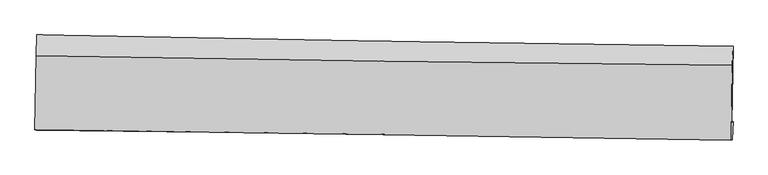
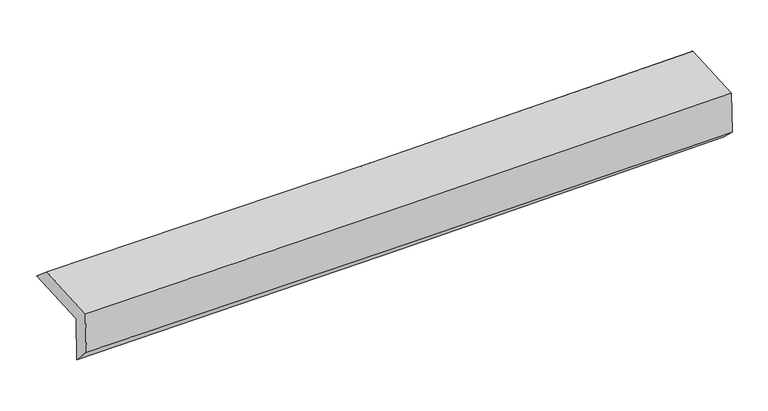
"""IFC4 building model written with IfcOpenShell, lengths in millimetres: proxy geometry."""

from ifc_helpers import new_model, si_unit, frame, origin, place, context, project, spatial, source, transform, mapped, element, save
from ifc_brep_helpers import plane_surface, spline_curve, spline_surface, advanced_brep


def generic_models_0b6862d0(model_context):
    return source(origin(), model_context, "Body", "AdvancedBrep", [
        advanced_brep(
        [(-3031.1622837, -1744.974649, 1945.6546279), (-3021.3927112, -1080.3082276, 1969.0812287), (3019.1991022, -1177.9733841, 2113.5894664), (3009.2504598, -1843.0569404, 2097.1920041), (-3020.7560397, -1733.0521742, 1529.3633961), (3019.3086375, -1831.4208564, 1694.896053), (-3027.8848754, -1905.3128936, 1710.5236365), (3013.2015245, -1988.5921526, 1844.0067109), (-3037.3668614, -1903.6999255, 2097.7499537), (3003.4790623, -1992.4312276, 2237.5715393), (-3027.9016956, -1259.743615, 2120.4466131), (3013.0117522, -1343.8809642, 2260.4301156)],
        [
            (0, 1),
            (1, 2, spline_curve(3, [(-3021.3927112, -1080.3082276, 1969.0812287), (-2014.583129349, -1099.425801369, 1989.486321082), (-1007.794758354, -1117.123363869, 2011.731246034), (1005.735845891, -1149.678405452, 2059.900672072), (2012.478079318, -1164.53589523, 2085.825159873), (3019.1991022, -1177.9733841, 2113.5894664)], [4, 2, 4], [0.0, 9.913333283929674, 19.826629978875978])),
            (2, 3),
            (3, 0, spline_curve(3, [(3009.2504598, -1843.0569404, 2097.1920041), (2002.720838555, -1829.352385664, 2061.801152907), (996.08922849, -1814.326601263, 2031.477626388), (-1017.381685042, -1781.632514202, 1980.965130194), (-2024.220989668, -1763.964200991, 1960.776197824), (-3031.1622837, -1744.974649, 1945.6546279)], [4, 2, 4], [0.0, 9.913296694946304, 19.826629978875978])),
            (4, 0),
            (3, 5),
            (5, 4, spline_curve(3, [(3019.3086375, -1831.4208564, 1694.896053), (2012.708387562, -1817.830063359, 1662.309811407), (1006.070468633, -1802.837294334, 1632.222323697), (-1007.284423372, -1770.047743955, 1577.044752676), (-2014.001396694, -1752.25095213, 1551.954688578), (-3020.7560397, -1733.0521742, 1529.3633961)], [4, 2, 4], [0.0, 9.913324891180082, 19.826686371447604])),
            (6, 4),
            (5, 7),
            (7, 6, spline_curve(3, [(3013.2015245, -1988.5921526, 1844.0067109), (2006.523605251, -1972.647832833, 1816.07590984), (999.761708151, -1957.735745632, 1790.986935449), (-1013.933757918, -1929.975984939, 1746.492556039), (-2020.867327299, -1917.128319306, 1727.087172724), (-3027.8848754, -1905.3128936, 1710.5236365)], [4, 2, 4], [0.0, 9.91325789420561, 19.82655237725138])),
            (8, 6),
            (7, 9),
            (9, 8, spline_curve(3, [(3003.4790623, -1992.4312276, 2237.5715393), (1996.884576963, -1977.346805341, 2205.69734744), (990.184436628, -1962.410332614, 2178.108466643), (-1023.430870647, -1932.833230803, 2131.501239546), (-2030.346038022, -1918.192602968, 2112.482925581), (-3037.3668614, -1903.6999255, 2097.7499537)], [4, 2, 4], [0.0, 9.913317370387537, 19.826671329834756])),
            (10, 8),
            (9, 11),
            (11, 10, spline_curve(3, [(3013.0117522, -1343.8809642, 2260.4301156), (2006.331220871, -1334.650632121, 2228.349592688), (999.582430195, -1323.024037933, 2200.644052874), (-1014.055385256, -1294.97827251, 2153.982852815), (-2020.944410644, -1278.559083878, 2135.027225238), (-3027.9016956, -1259.743615, 2120.4466131)], [4, 2, 4], [0.0, 9.913347867986067, 19.82673232514438])),
            (1, 10),
            (11, 2),
        ],
        [
            spline_surface(3, 3, [[(-3031.1622837, -1744.974649, 1945.6546279), (-2024.22098957, -1763.96420108, 1960.776197913), (-1017.381685144, -1781.632514041, 1980.965130224), (996.089228592, -1814.326601424, 2031.477626358), (2002.720838688, -1829.352385591, 2061.801152791), (3009.2504598, -1843.0569404, 2097.1920041)], [(-3027.905759528, -1523.419175191, 1953.463494829), (-2021.008369501, -1542.4514012, 1970.34623895), (-1014.186042902, -1560.129463963, 1991.220502125), (999.304767696, -1592.777202777, 2040.951974939), (2005.973252282, -1607.746888817, 2069.80915513), (3012.566673962, -1621.362421614, 2102.657824894)], [(-3024.649235372, -1301.863701409, 1961.272361771), (-2017.795749449, -1320.938601348, 1979.916279999), (-1010.990400634, -1338.6264139, 2001.475874065), (1002.520306825, -1371.227804146, 2050.426323559), (2009.225665792, -1386.141392101, 2077.817157387), (3015.882888038, -1399.667902886, 2108.123645606)], [(-3021.3927112, -1080.3082276, 1969.0812287), (-2014.58312938, -1099.425801469, 1989.486321037), (-1007.794758392, -1117.123363822, 2011.731245966), (1005.735845929, -1149.678405499, 2059.90067214), (2012.478079386, -1164.535895328, 2085.825159726), (3019.1991022, -1177.9733841, 2113.5894664)]], [4, 4], [4, 2, 4], [0.0, 2.1827650820515223], [0.0, 9.913333283929674, 19.826629978875978]),
            spline_surface(3, 3, [[(-3020.7560397, -1733.0521742, 1529.3633961), (-2014.001396797, -1752.250952212, 1551.954688478), (-1007.284423444, -1770.047743954, 1577.044752822), (1006.070468705, -1802.837294335, 1632.222323551), (2012.708387698, -1817.830063332, 1662.30981154), (3019.3086375, -1831.4208564, 1694.896053)], [(-3024.224787692, -1737.026332477, 1668.127140025), (-2017.407927714, -1756.155368511, 1688.228524948), (-1010.650177339, -1773.909334, 1711.684878631), (1002.743388672, -1806.667063382, 1765.307424495), (2009.379204665, -1821.670837434, 1795.47359196), (3015.95591157, -1835.299551082, 1828.99470337)], [(-3027.693535708, -1741.000490723, 1806.890883975), (-2020.814458654, -1760.05978478, 1824.502361443), (-1014.015931249, -1777.770923995, 1846.325004415), (999.416308624, -1810.496832377, 1898.392525414), (2006.050021722, -1825.511611489, 1928.637372371), (3012.60318573, -1839.178245718, 1963.09335373)], [(-3031.1622837, -1744.974649, 1945.6546279), (-2024.22098957, -1763.96420108, 1960.776197913), (-1017.381685144, -1781.632514041, 1980.965130224), (996.089228592, -1814.326601424, 2031.477626358), (2002.720838688, -1829.352385591, 2061.801152791), (3009.2504598, -1843.0569404, 2097.1920041)]], [4, 4], [4, 2, 4], [0.0, 1.3185004906129838], [0.0, 9.913361480267522, 19.826686371447604]),
            spline_surface(3, 3, [[(-3027.8848754, -1905.3128936, 1710.5236365), (-2020.867327398, -1917.128319176, 1727.087172707), (-1013.933757896, -1929.975984987, 1746.492556189), (999.761708129, -1957.735745584, 1790.986935299), (2006.523605237, -1972.647832819, 1816.075909953), (3013.2015245, -1988.5921526, 1844.0067109)], [(-3025.508596845, -1847.892653796, 1650.136889689), (-2018.578683877, -1862.16919685, 1668.709677953), (-1011.7173131, -1876.666571323, 1690.009955075), (1001.8646283, -1906.102928515, 1738.065398057), (2008.585199394, -1921.041909673, 1764.820543789), (3015.237228836, -1936.20172055, 1794.30315824)], [(-3023.132318255, -1790.472414004, 1589.750142911), (-2016.290040319, -1807.210074538, 1610.332183232), (-1009.50086824, -1823.357157617, 1633.527353937), (1003.967548534, -1854.470111404, 1685.143860792), (2010.646793541, -1869.435986478, 1713.565177704), (3017.272933164, -1883.81128845, 1744.59960566)], [(-3020.7560397, -1733.0521742, 1529.3633961), (-2014.001396797, -1752.250952212, 1551.954688478), (-1007.284423444, -1770.047743954, 1577.044752822), (1006.070468705, -1802.837294335, 1632.222323551), (2012.708387698, -1817.830063332, 1662.30981154), (3019.3086375, -1831.4208564, 1694.896053)]], [4, 4], [4, 2, 4], [0.0, 0.7463589616870857], [0.0, 9.913294483045771, 19.82655237725138]),
            spline_surface(3, 3, [[(-3037.3668614, -1903.6999255, 2097.7499537), (-2030.346038031, -1918.192602985, 2112.482925548), (-1023.430870581, -1932.83323081, 2131.501239674), (990.184436562, -1962.410332607, 2178.108466515), (1996.884576967, -1977.346805473, 2205.697347574), (3003.4790623, -1992.4312276, 2237.5715393)], [(-3034.20619939, -1904.237581548, 1968.674514662), (-2027.18646781, -1917.837841731, 1984.01767463), (-1020.265166335, -1931.880815524, 2003.165011846), (993.376860434, -1960.852136921, 2049.06795611), (2000.09758639, -1975.780481242, 2075.823535054), (3006.719883033, -1991.151535921, 2106.383263187)], [(-3031.04553741, -1904.775237552, 1839.599075538), (-2024.026897619, -1917.48308043, 1855.552423625), (-1017.099462141, -1930.928400273, 1874.828784017), (996.569284256, -1959.29394127, 1920.027445703), (2003.310595814, -1974.214157049, 1945.949722473), (3009.960703767, -1989.871844279, 1975.194987013)], [(-3027.8848754, -1905.3128936, 1710.5236365), (-2020.867327398, -1917.128319176, 1727.087172707), (-1013.933757896, -1929.975984987, 1746.492556189), (999.761708129, -1957.735745584, 1790.986935299), (2006.523605237, -1972.647832819, 1816.075909953), (3013.2015245, -1988.5921526, 1844.0067109)]], [4, 4], [4, 2, 4], [0.0, 1.2670644631231687], [0.0, 9.91335395944722, 19.826671329834756]),
            spline_surface(3, 3, [[(-3027.9016956, -1259.743615, 2120.4466131), (-2020.944410604, -1278.559083818, 2135.027225353), (-1014.055385245, -1294.978272532, 2153.98285295), (999.582430184, -1323.024037911, 2200.644052739), (2006.33122076, -1334.650632263, 2228.349592654), (3013.0117522, -1343.8809642, 2260.4301156)], [(-3031.056750863, -1474.395718488, 2112.881059952), (-2024.078286409, -1491.770256862, 2127.512458737), (-1017.180547015, -1507.596591958, 2146.488981846), (996.449765652, -1536.152802809, 2193.132190652), (2003.182339522, -1548.882689992, 2220.798844293), (3009.834188927, -1560.064385326, 2252.810590165)], [(-3034.211806137, -1689.047822012, 2105.315506848), (-2027.212162226, -1704.981429942, 2119.997692164), (-1020.305708811, -1720.214911385, 2138.995110778), (993.317101094, -1749.281567709, 2185.620328602), (2000.033458205, -1763.114747744, 2213.248095936), (3006.656625573, -1776.247806474, 2245.191064735)], [(-3037.3668614, -1903.6999255, 2097.7499537), (-2030.346038031, -1918.192602985, 2112.482925548), (-1023.430870581, -1932.83323081, 2131.501239674), (990.184436562, -1962.410332607, 2178.108466515), (1996.884576967, -1977.346805473, 2205.697347574), (3003.4790623, -1992.4312276, 2237.5715393)]], [4, 4], [4, 2, 4], [0.0, 2.096739187823079], [0.0, 9.913384457158314, 19.82673232514438]),
            spline_surface(3, 3, [[(-3021.3927112, -1080.3082276, 1969.0812287), (-2014.58312938, -1099.425801469, 1989.486321037), (-1007.794758392, -1117.123363822, 2011.731245966), (1005.735845929, -1149.678405499, 2059.90067214), (2012.478079386, -1164.535895328, 2085.825159726), (3019.1991022, -1177.9733841, 2113.5894664)], [(-3023.562372682, -1140.1200234, 2019.536356842), (-2016.70355647, -1159.136895586, 2037.999955818), (-1009.881634011, -1176.408333379, 2059.148448303), (1003.684707347, -1207.460282956, 2106.815132348), (2010.429126483, -1221.240807647, 2133.333304013), (3017.136652173, -1233.275910808, 2162.536349444)], [(-3025.732034118, -1199.9318192, 2069.991484958), (-2018.823983514, -1218.847989702, 2086.513590572), (-1011.968509626, -1235.693302976, 2106.565650613), (1001.633568767, -1265.242160454, 2153.729592531), (2008.380173662, -1277.945719943, 2180.841448367), (3015.074202227, -1288.578437492, 2211.483232556)], [(-3027.9016956, -1259.743615, 2120.4466131), (-2020.944410604, -1278.559083818, 2135.027225353), (-1014.055385245, -1294.978272532, 2153.98285295), (999.582430184, -1323.024037911, 2200.644052739), (2006.33122076, -1334.650632263, 2228.349592654), (3013.0117522, -1343.8809642, 2260.4301156)]], [4, 4], [4, 2, 4], [0.0, 0.7401586916460482], [0.0, 9.913334612491765, 19.826632635995256]),
            plane_surface(frame((3012.9084231, -1696.2259209, 2041.2809815), z_axis=(0.9995777570014236, -0.01555723083389664, 0.024541399242587778), x_axis=(0.024694876430538727, 0.00975118048722258, -0.9996474766422342))),
            plane_surface(frame((-3027.7440779, -1604.5152475, 1895.4699093), z_axis=(-0.9995777570014116, 0.015557230835039884, -0.02454139924235574), x_axis=(-0.014687753882641808, -0.9992716462048464, -0.03521997979754399))),
        ],
        [
            (0, [[1, 2, 3, 4]]),
            (1, [[5, -4, 6, 7]]),
            (2, [[8, -7, 9, 10]]),
            (3, [[11, -10, 12, 13]]),
            (4, [[14, -13, 15, 16]]),
            (5, [[17, -16, 18, -2]]),
            (6, [[-12, -9, -6, -3, -18, -15]]),
            (7, [[-1, -5, -8, -11, -14, -17]]),
        ],
    ),
    ])


if __name__ == "__main__":
    model = new_model("IFC4")
    model_context = context("Model", 3, world=origin())
    ifc_project = project(units=[si_unit("LENGTHUNIT", "METRE", prefix="MILLI")], contexts=[model_context])
    site = spatial("IfcSite", under=ifc_project)
    building = spatial("IfcBuilding", under=site)
    placement = place(None, origin())
    generic_models_shape = generic_models_0b6862d0(model_context)
    element("IfcBuildingElementProxy", 1, Name="Generic Models", at=placement, inside=building, context=model_context, shape_type="MappedRepresentation", body=[
        mapped(generic_models_shape, transform((0.0, 0.0, 0.0), x_axis=(1.0, 0.0, 0.0), y_axis=(0.0, 1.0, 0.0), z_axis=(0.0, 0.0, 1.0))),
    ])
    save(model, "model.ifc")
